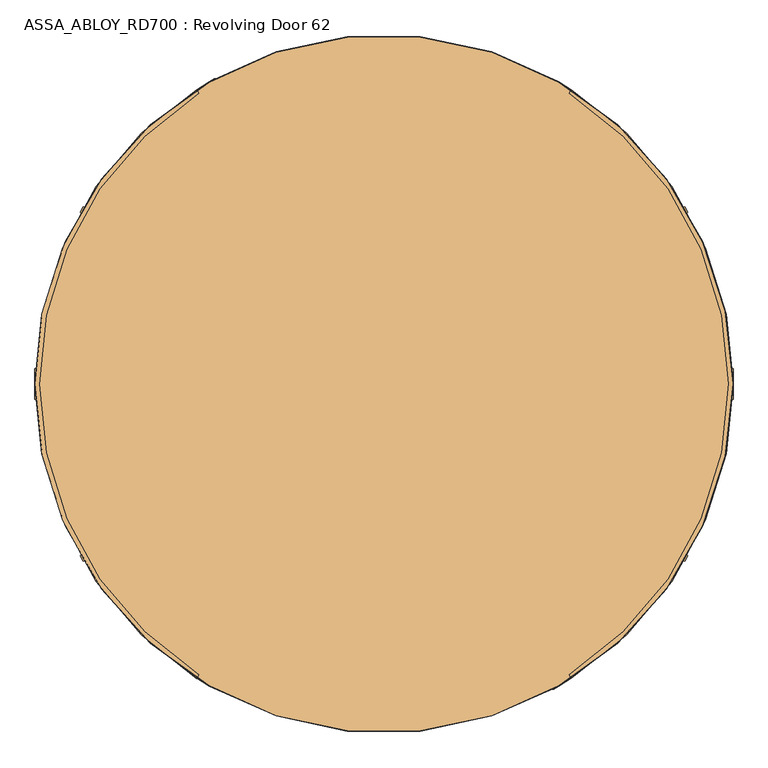
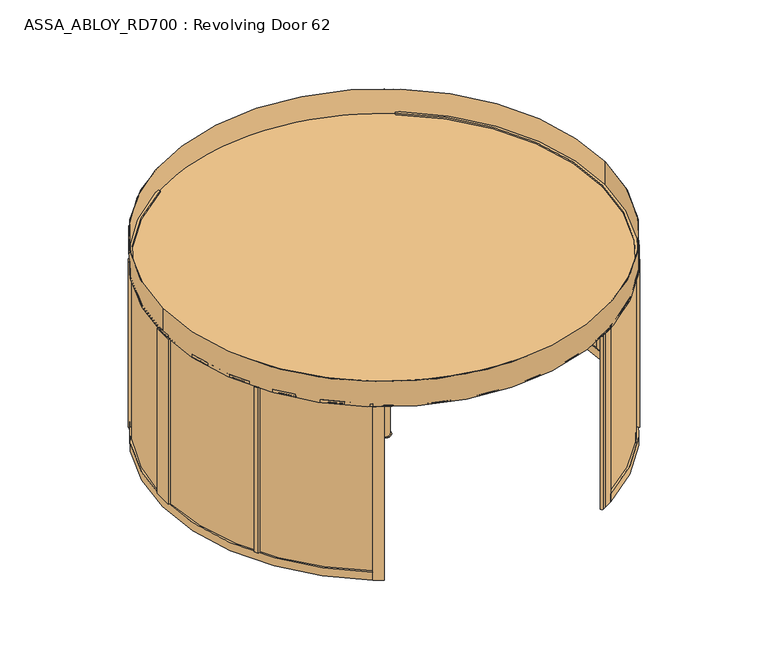
"""IFC4 building model written with IfcOpenShell, lengths in millimetres: door geometry, ASSA_ABLOY_RD700 : Revolving Door 62."""

from ifc_helpers import new_model, si_unit, point, frame, frame_2d, origin, origin_with_axes, origin_2d, place, context, project, spatial, polyline, circle_curve, trimmed, segment, composite_curve, outline, extrude, source, transform, mapped, element, save


def assa_abloy_rd700_revolving_door_62_0eee3018(model_context):
    return source(origin(), model_context, "Body", "SweptSolid", [
        extrude(outline(polyline([(-21.1919362, 0.0), (0.0, 0.0), (1.2354289, -3.3526833), (-14.8894584, -17.1035441), (-15.8652682, -14.4554101), (-11.2716326, -10.6269535), (-14.2348715, -2.5853724), (-20.214336, -2.6529929), (-21.1919362, 0.0)]), holes=[polyline([(-11.7626281, -2.5849675), (-9.3848751, -9.0376682), (-1.6611384, -2.5160752), (-11.7626281, -2.5849675)])]), frame((-1498.4366379, 2551.3683888, 111.8848654), z_axis=(0.8660254037844455, 0.4999999999999883, 0.0), x_axis=(-0.17288098849125008, 0.29943865572958484, 0.9383222555567716)), (0.0, 0.0, 1.0), 2.0),
        extrude(outline(polyline([(-3.5121291, 0.0), (0.0, 0.0), (2.8187321, -2.6852579), (4.250422, -5.1162244), (5.5118808, -7.3434952), (7.3063201, -9.1972245), (9.3614355, -9.1814982), (11.0208469, -7.16163), (10.6514742, -3.4882218), (8.71119, 0.0484617), (6.0403681, 2.6484111), (9.0699595, 3.711135), (11.0920114, 1.0208017), (12.7977466, -2.5981572), (13.1300796, -8.3561656), (9.9996043, -11.7673438), (6.2388815, -11.6844271), (3.0893834, -8.4786223), (1.8238571, -6.2006453), (0.6628891, -4.2207409), (-0.9295188, -2.6144294), (-2.9863484, -2.6252693), (-4.8029446, -4.7524081), (-4.3562346, -8.76362), (-2.4447823, -12.1320668), (0.6567352, -15.0446471), (-2.5145629, -16.157079), (-4.8247981, -13.2083906), (-6.5093631, -9.6341389), (-7.2092232, -6.1919011), (-6.787432, -3.3659463), (-5.4926863, -1.2764387), (-3.5121291, 0.0)])), frame((-1486.5717426, 2530.8177873, 100.999973), z_axis=(0.8660254037844454, 0.4999999999999883, 0.0), x_axis=(-0.16550355081006526, 0.28666055883609926, 0.9436282629706655)), (0.0, 0.0, 1.0), 2.0),
        extrude(outline(polyline([(-3.5121291, 0.0), (0.0, 0.0), (2.8187321, -2.6852579), (4.250422, -5.1162244), (5.5118808, -7.3434952), (7.3063201, -9.1972245), (9.3614355, -9.1814982), (11.0208469, -7.1616301), (10.6514742, -3.4882218), (8.71119, 0.0484617), (6.0403681, 2.6484111), (9.0699595, 3.711135), (11.0920114, 1.0208017), (12.7977466, -2.5981572), (13.1300796, -8.3561656), (9.9996043, -11.7673438), (6.2388815, -11.6844271), (3.0893834, -8.4786223), (1.8238571, -6.2006453), (0.6628891, -4.2207409), (-0.9295188, -2.6144294), (-2.9863484, -2.6252693), (-4.8029446, -4.7524081), (-4.3562346, -8.76362), (-2.4447823, -12.1320668), (0.6567352, -15.0446471), (-2.5145629, -16.157079), (-4.8247981, -13.2083906), (-6.5093631, -9.6341389), (-7.2092232, -6.1919011), (-6.787432, -3.3659463), (-5.4926863, -1.2764387), (-3.5121291, 0.0)])), frame((-1477.1264315, 2514.4580286, 100.999973), z_axis=(0.8660254037844454, 0.4999999999999883, 0.0), x_axis=(-0.1655035508100996, 0.2866605588361587, 0.9436282629706415)), (0.0, 0.0, 1.0), 2.0),
        extrude(outline(polyline([(-21.1919362, 0.0), (0.0, 0.0), (1.2354289, -3.3526833), (-14.8894584, -17.1035441), (-15.8652682, -14.4554101), (-11.2716326, -10.6269535), (-14.2348715, -2.5853724), (-20.214336, -2.6529929), (-21.1919362, 0.0)]), holes=[polyline([(-11.7626281, -2.5849675), (-9.3848751, -9.0376682), (-1.6611384, -2.5160752), (-11.7626281, -2.5849675)])]), frame((-1470.1007046, 2502.2891127, 111.8848654), z_axis=(0.8660254037844455, 0.4999999999999883, 0.0), x_axis=(-0.17288098849125008, 0.29943865572958484, 0.9383222555567716)), (0.0, 0.0, 1.0), 2.0),
        extrude(outline(polyline([(-21.1919362, 0.0), (0.0, 0.0), (1.2354289, -3.3526833), (-14.8894584, -17.1035441), (-15.8652682, -14.4554101), (-11.2716326, -10.6269535), (-14.2348715, -2.5853724), (-20.214336, -2.6529929), (-21.1919362, 0.0)]), holes=[polyline([(-11.7626281, -2.5849675), (-9.3848751, -9.0376682), (-1.6611384, -2.5160752), (-11.7626281, -2.5849675)])]), frame((-1455.8498844, 2477.605968, 111.8848654), z_axis=(0.8660254037844455, 0.4999999999999883, 0.0), x_axis=(-0.17288098849125008, 0.29943865572958484, 0.9383222555567716)), (0.0, 0.0, 1.0), 2.0),
        extrude(outline(polyline([(-3.6247797, -1e-07), (0.0, 0.0), (2.8147562, -2.4211002), (3.7068839, -0.0321767), (5.7320771, 1.441087), (7.9241126, 1.6554024), (9.8352433, 0.5920774), (11.1479956, -1.1951535), (12.3716711, -4.2930708), (14.3144162, -9.9880649), (-4.5055294, -16.408152), (-6.8194358, -9.6251298), (-7.5842828, -6.2202288), (-7.204982, -3.4426963), (-5.9232413, -1.3859292), (-3.6247797, -1e-07)]), holes=[polyline([(5.2214253, -2.9241787), (4.7734732, -6.6552626), (5.9304264, -10.0467736), (11.2627443, -8.2277489), (10.1960736, -5.1008933), (9.3653605, -2.9303688), (5.2214253, -2.9241787)]), polyline([(-2.8765906, -2.5461079), (-4.3679308, -3.4351118), (-5.1102533, -4.8838352), (-5.1175974, -6.8751818), (-4.336209, -9.7190964), (-3.1658807, -13.1498157), (3.7347661, -10.7957837), (2.347091, -6.7279309), (1.5099769, -4.5787397), (0.5832315, -3.1932876), (-0.9746905, -2.2912471), (-2.8765906, -2.5461079)])]), frame((-1443.6574584, 2456.4880667, 101.561824), z_axis=(0.8660254037844454, 0.49999999999998823, 0.0), x_axis=(-0.1614314953418509, 0.27960755187391306, 0.9464457138403508)), (0.0, 0.0, 1.0), 2.0),
        extrude(outline(polyline([(-2.319901, 0.0), (0.0, 0.0), (0.0, -9.9424327), (17.5649644, -9.9424327), (17.5649644, -12.5937481), (-2.319901, -12.5937481), (-2.319901, 0.0)])), frame((-1434.9526514, 2441.4108988, 94.319901), z_axis=(0.8660254037844455, 0.49999999999998823, 0.0), x_axis=(0.0, 0.0, 1.0)), (0.0, 0.0, 1.0), 2.0),
        extrude(outline(polyline([(-3.4755122, 0.0), (0.0, 0.0), (3.5095377, -1.5864764), (6.1998493, -4.2905332), (7.4345587, -7.5668216), (7.0812776, -11.3109182), (5.1361655, -15.2239686), (2.1257687, -18.4422905), (-1.2097864, -20.048671), (-4.7147757, -20.0502836), (-8.2007386, -18.4707048), (-10.9175762, -15.7640054), (-12.1283676, -12.475947), (-11.7934802, -8.7947164), (-9.8417791, -4.8358203), (-6.8343334, -1.6217536), (-3.4755122, 0.0)]), holes=[polyline([(-7.663169, -6.3468237), (-9.5892894, -12.1951337), (-6.8871209, -16.5585186), (-1.8513939, -17.5618518), (2.9575554, -13.7129652), (4.8960978, -7.8921765), (2.1788995, -3.4868579), (-2.8864763, -2.494471), (-7.663169, -6.3468237)])]), frame((-1427.6757746, 2428.8069783, 111.5197917), z_axis=(0.8660254037844455, 0.49999999999998834, 0.0), x_axis=(-0.41085457557084926, 0.7116209994108801, 0.5699070721880521)), (0.0, 0.0, 1.0), 2.0),
        extrude(outline(polyline([(-3.1691505, 0.0), (0.0, 0.0), (5.4320896, -8.8964059), (10.9211409, 0.0), (14.0643996, 0.0), (6.7732823, -11.4441543), (6.7732823, -19.8848654), (4.1219669, -19.8848654), (4.1219669, -11.1645234), (-3.1691505, 0.0)])), frame((-1417.1494829, 2410.5749062, 111.8848654), z_axis=(0.8660254037844455, 0.49999999999998823, 0.0), x_axis=(-0.49999999999998823, 0.8660254037844455, 0.0)), (0.0, 0.0, 1.0), 2.0),
        extrude(outline(polyline([(21.1919362, 0.0), (20.214336, -2.6529929), (14.2348715, -2.5853724), (11.2716326, -10.6269535), (15.8652682, -14.4554101), (14.8894584, -17.1035441), (-1.2354289, -3.3526833), (0.0, 0.0), (21.1919362, 0.0)]), holes=[polyline([(11.7626281, -2.5849675), (1.6611384, -2.5160752), (9.3848751, -9.0376682), (11.7626281, -2.5849675)])]), frame((-1384.9734689, 2438.8444152, 111.8848654), z_axis=(0.8660254037844423, 0.4999999999999939, 0.0), x_axis=(-0.172880988491252, 0.2994386557295837, -0.9383222555567716)), (0.0, 0.0, 1.0), 2.0),
        extrude(outline(polyline([(3.5121291, 0.0), (5.4926863, -1.2764387), (6.787432, -3.3659463), (7.2092232, -6.1919012), (6.5093631, -9.6341389), (4.824798, -13.2083907), (2.5145629, -16.1570791), (-0.6567353, -15.0446472), (2.4447822, -12.1320668), (4.3562346, -8.76362), (4.8029446, -4.7524082), (2.9863484, -2.6252693), (0.9295188, -2.6144294), (-0.6628891, -4.2207409), (-1.8238571, -6.2006453), (-3.0893834, -8.4786223), (-6.2388816, -11.6844271), (-9.9996043, -11.7673439), (-13.1300796, -8.3561656), (-12.7977466, -2.5981572), (-11.0920114, 1.0208017), (-9.0699595, 3.711135), (-6.0403681, 2.6484111), (-8.71119, 0.0484616), (-10.6514742, -3.4882218), (-11.0208469, -7.1616301), (-9.3614355, -9.1814983), (-7.3063201, -9.1972246), (-5.5118808, -7.3434952), (-4.250422, -5.1162245), (-2.8187321, -2.6852579), (0.0, 0.0), (3.5121291, 0.0)])), frame((-1396.8383642, 2459.3950167, 100.999973), z_axis=(0.8660254037844423, 0.4999999999999938, 0.0), x_axis=(-0.1655035508100671, 0.2866605588360982, -0.9436282629706655)), (0.0, 0.0, 1.0), 2.0),
        extrude(outline(polyline([(3.5121291, 0.0), (5.4926863, -1.2764387), (6.787432, -3.3659463), (7.2092232, -6.1919012), (6.5093631, -9.6341389), (4.824798, -13.2083907), (2.5145629, -16.1570791), (-0.6567353, -15.0446472), (2.4447822, -12.1320668), (4.3562346, -8.76362), (4.8029446, -4.7524082), (2.9863484, -2.6252693), (0.9295188, -2.6144294), (-0.6628891, -4.2207409), (-1.8238571, -6.2006453), (-3.0893834, -8.4786223), (-6.2388816, -11.6844271), (-9.9996043, -11.7673439), (-13.1300796, -8.3561656), (-12.7977466, -2.5981572), (-11.0920114, 1.0208016), (-9.0699595, 3.711135), (-6.0403681, 2.6484111), (-8.71119, 0.0484616), (-10.6514742, -3.4882218), (-11.0208469, -7.1616301), (-9.3614355, -9.1814983), (-7.3063201, -9.1972246), (-5.5118808, -7.3434952), (-4.250422, -5.1162245), (-2.8187321, -2.6852579), (0.0, 0.0), (3.5121291, 0.0)])), frame((-1406.2836753, 2475.7547754, 100.999973), z_axis=(0.8660254037844423, 0.4999999999999938, 0.0), x_axis=(-0.1655035508100671, 0.2866605588360982, -0.9436282629706655)), (0.0, 0.0, 1.0), 2.0),
        extrude(outline(polyline([(21.1919362, 0.0), (20.214336, -2.6529929), (14.2348715, -2.5853723), (11.2716326, -10.6269535), (15.8652682, -14.4554101), (14.8894584, -17.103544), (-1.2354289, -3.3526833), (0.0, 0.0), (21.1919362, 0.0)]), holes=[polyline([(11.7626281, -2.5849674), (1.6611384, -2.5160752), (9.3848751, -9.0376682), (11.7626281, -2.5849674)])]), frame((-1413.3094021, 2487.9236913, 111.8848654), z_axis=(0.8660254037844423, 0.4999999999999939, 0.0), x_axis=(-0.172880988491252, 0.2994386557295837, -0.9383222555567716)), (0.0, 0.0, 1.0), 2.0),
        extrude(outline(polyline([(21.1919362, 0.0), (20.214336, -2.6529929), (14.2348715, -2.5853724), (11.2716326, -10.6269535), (15.8652682, -14.4554101), (14.8894584, -17.1035441), (-1.2354289, -3.3526833), (0.0, 0.0), (21.1919362, 0.0)]), holes=[polyline([(11.7626281, -2.5849675), (1.6611384, -2.5160752), (9.3848751, -9.0376682), (11.7626281, -2.5849675)])]), frame((-1427.5602224, 2512.606836, 111.8848654), z_axis=(0.8660254037844423, 0.4999999999999939, 0.0), x_axis=(-0.172880988491252, 0.2994386557295837, -0.9383222555567716)), (0.0, 0.0, 1.0), 2.0),
        extrude(outline(polyline([(3.6247797, -1e-07), (5.9232413, -1.3859292), (7.204982, -3.4426963), (7.5842828, -6.2202288), (6.8194358, -9.6251298), (4.5055294, -16.4081519), (-14.3144162, -9.9880648), (-12.3716711, -4.2930709), (-11.1479956, -1.1951535), (-9.8352432, 0.5920774), (-7.9241126, 1.6554025), (-5.7320771, 1.441087), (-3.7068839, -0.0321766), (-2.8147562, -2.4211002), (0.0, 0.0), (3.6247797, -1e-07)]), holes=[polyline([(-5.2214253, -2.9241787), (-9.3653605, -2.9303688), (-10.1960736, -5.1008934), (-11.2627443, -8.2277488), (-5.9304264, -10.0467735), (-4.7734732, -6.6552625), (-5.2214253, -2.9241787)]), polyline([(2.8765906, -2.5461079), (0.9746905, -2.291247), (-0.5832315, -3.1932876), (-1.5099769, -4.5787397), (-2.347091, -6.7279308), (-3.734766, -10.7957837), (3.1658807, -13.1498156), (4.3362091, -9.7190964), (5.1175974, -6.8751818), (5.1102534, -4.8838351), (4.3679308, -3.4351117), (2.8765906, -2.5461079)])]), frame((-1439.7526483, 2533.7247373, 101.561824), z_axis=(0.8660254037844424, 0.49999999999999384, 0.0), x_axis=(-0.16143149534181922, 0.27960755187385405, -0.9464457138403736)), (0.0, 0.0, 1.0), 2.0),
        extrude(outline(polyline([(2.319901, 0.0), (2.319901, -12.5937481), (-17.5649644, -12.5937481), (-17.5649644, -9.9424327), (0.0, -9.9424327), (0.0, 0.0), (2.319901, 0.0)])), frame((-1448.4574553, 2548.8019052, 94.319901), z_axis=(0.8660254037844423, 0.49999999999999384, 0.0), x_axis=(0.0, 0.0, -1.0)), (0.0, 0.0, 1.0), 2.0),
        extrude(outline(polyline([(3.4755122, 0.0), (6.8343334, -1.6217536), (9.8417791, -4.8358203), (11.7934802, -8.7947164), (12.1283676, -12.475947), (10.9175762, -15.7640054), (8.2007386, -18.4707048), (4.7147757, -20.0502836), (1.2097864, -20.048671), (-2.1257687, -18.4422905), (-5.1361655, -15.2239686), (-7.0812776, -11.3109182), (-7.4345588, -7.5668217), (-6.1998493, -4.2905332), (-3.5095377, -1.5864764), (0.0, 0.0), (3.4755122, 0.0)]), holes=[polyline([(7.663169, -6.3468237), (2.8864763, -2.494471), (-2.1788995, -3.4868579), (-4.8960978, -7.8921765), (-2.9575554, -13.7129652), (1.8513939, -17.5618518), (6.8871209, -16.5585186), (9.5892893, -12.1951337), (7.663169, -6.3468237)])]), frame((-1455.7343322, 2561.4058257, 111.5197917), z_axis=(0.8660254037844421, 0.4999999999999938, 0.0), x_axis=(-0.4108545755708527, 0.7116209994108754, -0.5699070721880555)), (0.0, 0.0, 1.0), 2.0),
        extrude(outline(polyline([(3.1691504, 0.0), (-4.1219669, -11.1645234), (-4.1219669, -19.8848654), (-6.7732823, -19.8848654), (-6.7732823, -11.4441543), (-14.0643996, 0.0), (-10.921141, 0.0), (-5.4320896, -8.8964059), (0.0, 0.0), (3.1691504, 0.0)])), frame((-1466.2606239, 2579.6378978, 111.8848654), z_axis=(0.8660254037844423, 0.49999999999999384, 0.0), x_axis=(-0.49999999999999384, 0.8660254037844423, 0.0)), (0.0, 0.0, 1.0), 2.0),
        extrude(outline(polyline([(26.6515221, 0.0), (0.0, 0.0), (0.0, -39.5498894), (-13.9731118, -39.4978266), (-35.4734857, -27.0878672), (-65.7800894, 7.1605958), (-57.4313185, 25.5557642), (-24.0034278, 19.9844491), (26.6515221, 0.0)])), frame((-599.8205081, 998.9195954, 42.0), z_axis=(-0.4999999999999939, 0.8660254037844421, 0.0), x_axis=(0.8660254037844421, 0.4999999999999939, 0.0)), (0.0, 0.0, 1.0), 1885.0),
        extrude(outline(polyline([(33.1204549, 0.0), (0.0, 0.0), (0.0, -37.4557851), (-13.0431775, -37.4022447), (-28.8456008, -22.8930528), (-37.5120241, -2.8258245), (-41.1595702, 16.5838424), (-29.2477892, 28.4956234), (33.1204549, 0.0)])), frame((-56.3205081, 57.5499815, 42.0), z_axis=(-0.4999999999999939, 0.8660254037844421, 0.0), x_axis=(0.8660254037844421, 0.4999999999999939, 0.0)), (0.0, 0.0, 1.0), 1087.0),
        extrude(outline(polyline([(-1519.2396129, 2644.7032426), (-1542.3205081, 2631.3774815), (-1522.5455634, 2597.1262726), (-1534.6726646, 2590.1848043), (-1559.4975143, 2590.1819575), (-1602.8680345, 2604.6886947), (-1604.835371, 2624.7937633), (-1573.1003109, 2636.6828082), (-1519.2396129, 2644.7032426)])), origin_with_axes(), (0.0, 0.0, 1.0), 2600.0),
        extrude(outline(composite_curve([segment(polyline([(-1550.0, 2684.6787517), (-1570.0, 2719.3197679)]), True, "CONTINUOUS"), segment(trimmed(circle_curve(origin_2d(), 3140.0), [point((-1570.0, 2719.3197679))], [point((-1526.4996726, 2743.9749907))], False, "CARTESIAN"), True, "CONTINUOUS"), segment(trimmed(circle_curve(frame_2d((-1516.7742629, 2726.4929816)), 20.0051052), [point((-1526.4996726, 2743.9749907))], [point((-1506.4971038, 2709.3295252))], False, "CARTESIAN"), True, "CONTINUOUS"), segment(trimmed(circle_curve(origin_2d(), 3100.0), [point((-1506.4971038, 2709.3295252))], [point((-1550.0, 2684.6787517))], True, "CARTESIAN"), True, "CONTINUOUS")], self_intersect=False)), origin_with_axes(), (0.0, 0.0, 1.0), 2600.0),
        extrude(outline(composite_curve([segment(polyline([(1550.0, -2684.6787517), (1570.0, -2719.3197679)]), True, "CONTINUOUS"), segment(trimmed(circle_curve(origin_2d(), 3140.0), [point((1570.0, -2719.3197679))], [point((1526.4996726, -2743.9749907))], False, "CARTESIAN"), True, "CONTINUOUS"), segment(trimmed(circle_curve(frame_2d((1516.7742629, -2726.4929816)), 20.0051052), [point((1526.4996726, -2743.9749907))], [point((1506.4971038, -2709.3295252))], False, "CARTESIAN"), True, "CONTINUOUS"), segment(trimmed(circle_curve(origin_2d(), 3100.0), [point((1506.4971038, -2709.3295252))], [point((1550.0, -2684.6787517))], True, "CARTESIAN"), True, "CONTINUOUS")], self_intersect=False)), origin_with_axes(), (0.0, 0.0, 1.0), 2600.0),
        extrude(outline(composite_curve([segment(trimmed(circle_curve(origin_2d(), 3126.0), [point((-3126.0, 0.0))], [point((3126.0, 0.0))], False, "CARTESIAN"), True, "CONTINUOUS"), segment(trimmed(circle_curve(origin_2d(), 3126.0), [point((3126.0, 0.0))], [point((-3126.0, 0.0))], False, "CARTESIAN"), True, "CONTINUOUS")], self_intersect=False)), frame((0.0, 0.0, 2600.0), z_axis=(0.0, 0.0, 1.0), x_axis=(1.0, 0.0, 0.0)), (0.0, 0.0, 1.0), 16.0),
        extrude(outline(composite_curve([segment(polyline([(-1686.3061522, 2648.5613573), (-1666.2871236, 2613.8873827)]), True, "CONTINUOUS"), segment(trimmed(circle_curve(frame_2d((0.0, -0.2065754)), 3100.0), [point((-1666.2871236, 2613.8873827))], [point((-1666.2871236, -2614.3005335))], True, "CARTESIAN"), True, "CONTINUOUS"), segment(polyline([(-1666.2871236, -2614.3005335), (-1686.3061522, -2648.9745081)]), True, "CONTINUOUS"), segment(trimmed(circle_curve(frame_2d((0.0, -0.2065754)), 3140.0), [point((-1686.3061522, -2648.9745081))], [point((-1686.3061522, 2648.5613573))], False, "CARTESIAN"), True, "CONTINUOUS")], self_intersect=False)), frame((0.0, 0.0, 2603.0), z_axis=(0.0, 0.0, 1.0), x_axis=(1.0, 0.0, 0.0)), (0.0, 0.0, 1.0), 40.0),
        extrude(outline(composite_curve([segment(polyline([(-1686.3061522, -2648.9745081), (-1666.2871236, -2614.3005335)]), True, "CONTINUOUS"), segment(trimmed(circle_curve(frame_2d((0.0, -0.2065754)), 3100.0), [point((-1666.2871236, -2614.3005335))], [point((-1550.0, -2684.8853271))], True, "CARTESIAN"), True, "CONTINUOUS"), segment(polyline([(-1550.0, -2684.8853271), (-1570.0, -2719.5263433)]), True, "CONTINUOUS"), segment(trimmed(circle_curve(frame_2d((0.0, -0.2065754)), 3140.0), [point((-1570.0, -2719.5263433))], [point((-1686.3061522, -2648.9745081))], False, "CARTESIAN"), True, "CONTINUOUS")], self_intersect=False)), frame((0.0, 0.0, 3.0), z_axis=(0.0, 0.0, 1.0), x_axis=(1.0, 0.0, 0.0)), (0.0, 0.0, 1.0), 2600.0),
        extrude(outline(composite_curve([segment(polyline([(-1570.0, 2719.1131925), (-1550.0, 2684.4721763)]), True, "CONTINUOUS"), segment(trimmed(circle_curve(frame_2d((0.0, -0.2065754)), 3100.0), [point((-1550.0, 2684.4721763))], [point((-1666.2871236, 2613.8873827))], True, "CARTESIAN"), True, "CONTINUOUS"), segment(polyline([(-1666.2871236, 2613.8873827), (-1686.3061522, 2648.5613573)]), True, "CONTINUOUS"), segment(trimmed(circle_curve(frame_2d((0.0, -0.2065754)), 3140.0), [point((-1686.3061522, 2648.5613573))], [point((-1570.0, 2719.1131925))], False, "CARTESIAN"), True, "CONTINUOUS")], self_intersect=False)), frame((0.0, 0.0, 3.0), z_axis=(0.0, 0.0, 1.0), x_axis=(1.0, 0.0, 0.0)), (0.0, 0.0, 1.0), 2600.0),
        extrude(outline(composite_curve([segment(polyline([(-3110.0278134, -136.2065754), (-3102.0201482, -136.2065754)]), True, "CONTINUOUS"), segment(trimmed(circle_curve(frame_2d((0.0, -0.2065754)), 3105.0), [point((-3102.0201482, -136.2065754))], [point((-1668.789529, -2618.6348268))], True, "CARTESIAN"), True, "CONTINUOUS"), segment(polyline([(-1668.789529, -2618.6348268), (-1672.7933616, -2625.5696683)]), True, "CONTINUOUS"), segment(trimmed(circle_curve(frame_2d((0.0, -0.2065754)), 3113.0), [point((-1672.7933616, -2625.5696683))], [point((-3110.0278134, -136.2065754))], False, "CARTESIAN"), True, "CONTINUOUS")], self_intersect=False)), frame((0.0, 0.0, 123.0), z_axis=(0.0, 0.0, 1.0), x_axis=(1.0, 0.0, 0.0)), (0.0, 0.0, 1.0), 2480.0),
        extrude(outline(composite_curve([segment(polyline([(-1672.7933616, 2625.1565175), (-1668.789529, 2618.221676)]), True, "CONTINUOUS"), segment(trimmed(circle_curve(frame_2d((0.0, -0.2065754)), 3105.0), [point((-1668.789529, 2618.221676))], [point((-3102.0201482, 135.7934246))], True, "CARTESIAN"), True, "CONTINUOUS"), segment(polyline([(-3102.0201482, 135.7934246), (-3110.0278134, 135.7934246)]), True, "CONTINUOUS"), segment(trimmed(circle_curve(frame_2d((0.0, -0.2065754)), 3113.0), [point((-3110.0278134, 135.7934246))], [point((-1672.7933616, 2625.1565175))], False, "CARTESIAN"), True, "CONTINUOUS")], self_intersect=False)), frame((0.0, 0.0, 123.0), z_axis=(0.0, 0.0, 1.0), x_axis=(1.0, 0.0, 0.0)), (0.0, 0.0, 1.0), 2480.0),
        extrude(outline(polyline([(-3140.0, -136.2065754), (-3140.0, 135.7934246), (-3100.0, 135.7934246), (-3100.0, -136.2065754), (-3140.0, -136.2065754)])), frame((0.0, 0.0, 123.0), z_axis=(0.0, 0.0, 1.0), x_axis=(1.0, 0.0, 0.0)), (0.0, 0.0, 1.0), 2480.0),
        extrude(outline(composite_curve([segment(polyline([(-1686.3061522, 2648.5613573), (-1666.2871236, 2613.8873827)]), True, "CONTINUOUS"), segment(trimmed(circle_curve(frame_2d((0.0, -0.2065754)), 3100.0), [point((-1666.2871236, 2613.8873827))], [point((-1666.2871236, -2614.3005335))], True, "CARTESIAN"), True, "CONTINUOUS"), segment(polyline([(-1666.2871236, -2614.3005335), (-1686.3061522, -2648.9745081)]), True, "CONTINUOUS"), segment(trimmed(circle_curve(frame_2d((0.0, -0.2065754)), 3140.0), [point((-1686.3061522, -2648.9745081))], [point((-1686.3061522, 2648.5613573))], False, "CARTESIAN"), True, "CONTINUOUS")], self_intersect=False)), frame((0.0, 0.0, 3.0), z_axis=(0.0, 0.0, 1.0), x_axis=(1.0, 0.0, 0.0)), (0.0, 0.0, 1.0), 120.0),
        extrude(outline(composite_curve([segment(trimmed(circle_curve(frame_2d((0.0, -0.2065754)), 3140.0), [point((-2704.1956531, -1596.1156798))], [point((-2734.1956531, -1544.1541556))], False, "CARTESIAN"), True, "CONTINUOUS"), segment(polyline([(-2734.1956531, -1544.1541556), (-2699.5530354, -1524.1532309)]), True, "CONTINUOUS"), segment(trimmed(circle_curve(frame_2d((0.0, -0.2065754)), 3100.0), [point((-2699.5530354, -1524.1532309))], [point((-2669.5530354, -1576.1147552))], True, "CARTESIAN"), True, "CONTINUOUS"), segment(polyline([(-2669.5530354, -1576.1147552), (-2704.1956531, -1596.1156798)]), True, "CONTINUOUS")], self_intersect=False)), frame((0.0, 0.0, 123.0), z_axis=(0.0, 0.0, 1.0), x_axis=(1.0, 0.0, 0.0)), (0.0, 0.0, 1.0), 2480.0),
        extrude(outline(composite_curve([segment(polyline([(-2704.1956531, 1595.702529), (-2669.5530354, 1575.7016044)]), True, "CONTINUOUS"), segment(trimmed(circle_curve(frame_2d((0.0, -0.2065754)), 3100.0), [point((-2669.5530354, 1575.7016044))], [point((-2699.5530354, 1523.7400801))], True, "CARTESIAN"), True, "CONTINUOUS"), segment(polyline([(-2699.5530354, 1523.7400801), (-2734.1956531, 1543.7410048)]), True, "CONTINUOUS"), segment(trimmed(circle_curve(frame_2d((0.0, -0.2065754)), 3140.0), [point((-2734.1956531, 1543.7410048))], [point((-2704.1956531, 1595.702529))], False, "CARTESIAN"), True, "CONTINUOUS")], self_intersect=False)), frame((0.0, 0.0, 123.0), z_axis=(0.0, 0.0, 1.0), x_axis=(1.0, 0.0, 0.0)), (0.0, 0.0, 1.0), 2480.0),
        extrude(outline(composite_curve([segment(trimmed(circle_curve(origin_2d(), 3140.0), [point((1686.3061522, 2648.7679327))], [point((1686.3061522, -2648.7679327))], False, "CARTESIAN"), True, "CONTINUOUS"), segment(polyline([(1686.3061522, -2648.7679327), (1666.2871236, -2614.0939581)]), True, "CONTINUOUS"), segment(trimmed(circle_curve(origin_2d(), 3100.0), [point((1666.2871236, -2614.0939581))], [point((1666.2871236, 2614.0939581))], True, "CARTESIAN"), True, "CONTINUOUS"), segment(polyline([(1666.2871236, 2614.0939581), (1686.3061522, 2648.7679327)]), True, "CONTINUOUS")], self_intersect=False)), frame((0.0, 0.0, 2600.0), z_axis=(0.0, 0.0, 1.0), x_axis=(1.0, 0.0, 0.0)), (0.0, 0.0, 1.0), 40.0),
        extrude(outline(composite_curve([segment(trimmed(circle_curve(origin_2d(), 3140.0), [point((1686.3061522, -2648.7679327))], [point((1570.0, -2719.3197679))], False, "CARTESIAN"), True, "CONTINUOUS"), segment(polyline([(1570.0, -2719.3197679), (1550.0, -2684.6787517)]), True, "CONTINUOUS"), segment(trimmed(circle_curve(origin_2d(), 3100.0), [point((1550.0, -2684.6787517))], [point((1666.2871236, -2614.0939581))], True, "CARTESIAN"), True, "CONTINUOUS"), segment(polyline([(1666.2871236, -2614.0939581), (1686.3061522, -2648.7679327)]), True, "CONTINUOUS")], self_intersect=False)), origin_with_axes(), (0.0, 0.0, 1.0), 2600.0),
        extrude(outline(composite_curve([segment(trimmed(circle_curve(origin_2d(), 3140.0), [point((1570.0, 2719.3197679))], [point((1686.3061522, 2648.7679327))], False, "CARTESIAN"), True, "CONTINUOUS"), segment(polyline([(1686.3061522, 2648.7679327), (1666.2871236, 2614.0939581)]), True, "CONTINUOUS"), segment(trimmed(circle_curve(origin_2d(), 3100.0), [point((1666.2871236, 2614.0939581))], [point((1550.0, 2684.6787517))], True, "CARTESIAN"), True, "CONTINUOUS"), segment(polyline([(1550.0, 2684.6787517), (1570.0, 2719.3197679)]), True, "CONTINUOUS")], self_intersect=False)), origin_with_axes(), (0.0, 0.0, 1.0), 2600.0),
        extrude(outline(composite_curve([segment(trimmed(circle_curve(origin_2d(), 3113.0), [point((3110.0278134, -136.0))], [point((1672.7933616, -2625.3630929))], False, "CARTESIAN"), True, "CONTINUOUS"), segment(polyline([(1672.7933616, -2625.3630929), (1668.789529, -2618.4282514)]), True, "CONTINUOUS"), segment(trimmed(circle_curve(origin_2d(), 3105.0), [point((1668.789529, -2618.4282514))], [point((3102.0201482, -136.0))], True, "CARTESIAN"), True, "CONTINUOUS"), segment(polyline([(3102.0201482, -136.0), (3110.0278134, -136.0)]), True, "CONTINUOUS")], self_intersect=False)), frame((0.0, 0.0, 120.0), z_axis=(0.0, 0.0, 1.0), x_axis=(1.0, 0.0, 0.0)), (0.0, 0.0, 1.0), 2480.0),
        extrude(outline(composite_curve([segment(trimmed(circle_curve(origin_2d(), 3113.0), [point((1672.7933616, 2625.3630929))], [point((3110.0278134, 136.0))], False, "CARTESIAN"), True, "CONTINUOUS"), segment(polyline([(3110.0278134, 136.0), (3102.0201482, 136.0)]), True, "CONTINUOUS"), segment(trimmed(circle_curve(origin_2d(), 3105.0), [point((3102.0201482, 136.0))], [point((1668.789529, 2618.4282514))], True, "CARTESIAN"), True, "CONTINUOUS"), segment(polyline([(1668.789529, 2618.4282514), (1672.7933616, 2625.3630929)]), True, "CONTINUOUS")], self_intersect=False)), frame((0.0, 0.0, 120.0), z_axis=(0.0, 0.0, 1.0), x_axis=(1.0, 0.0, 0.0)), (0.0, 0.0, 1.0), 2480.0),
        extrude(outline(polyline([(3140.0, -136.0), (3100.0, -136.0), (3100.0, 136.0), (3140.0, 136.0), (3140.0, -136.0)])), frame((0.0, 0.0, 120.0), z_axis=(0.0, 0.0, 1.0), x_axis=(1.0, 0.0, 0.0)), (0.0, 0.0, 1.0), 2480.0),
        extrude(outline(composite_curve([segment(trimmed(circle_curve(origin_2d(), 3140.0), [point((1686.3061522, 2648.7679327))], [point((1686.3061522, -2648.7679327))], False, "CARTESIAN"), True, "CONTINUOUS"), segment(polyline([(1686.3061522, -2648.7679327), (1666.2871236, -2614.0939581)]), True, "CONTINUOUS"), segment(trimmed(circle_curve(origin_2d(), 3100.0), [point((1666.2871236, -2614.0939581))], [point((1666.2871236, 2614.0939581))], True, "CARTESIAN"), True, "CONTINUOUS"), segment(polyline([(1666.2871236, 2614.0939581), (1686.3061522, 2648.7679327)]), True, "CONTINUOUS")], self_intersect=False)), origin_with_axes(), (0.0, 0.0, 1.0), 120.0),
        extrude(outline(composite_curve([segment(polyline([(2704.1956531, -1595.9091044), (2669.5530354, -1575.9081798)]), True, "CONTINUOUS"), segment(trimmed(circle_curve(origin_2d(), 3100.0), [point((2669.5530354, -1575.9081798))], [point((2699.5530354, -1523.9466555))], True, "CARTESIAN"), True, "CONTINUOUS"), segment(polyline([(2699.5530354, -1523.9466555), (2734.1956531, -1543.9475802)]), True, "CONTINUOUS"), segment(trimmed(circle_curve(origin_2d(), 3140.0), [point((2734.1956531, -1543.9475802))], [point((2704.1956531, -1595.9091044))], False, "CARTESIAN"), True, "CONTINUOUS")], self_intersect=False)), frame((0.0, 0.0, 120.0), z_axis=(0.0, 0.0, 1.0), x_axis=(1.0, 0.0, 0.0)), (0.0, 0.0, 1.0), 2480.0),
        extrude(outline(composite_curve([segment(trimmed(circle_curve(origin_2d(), 3140.0), [point((2704.1956531, 1595.9091044))], [point((2734.1956531, 1543.9475802))], False, "CARTESIAN"), True, "CONTINUOUS"), segment(polyline([(2734.1956531, 1543.9475802), (2699.5530354, 1523.9466555)]), True, "CONTINUOUS"), segment(trimmed(circle_curve(origin_2d(), 3100.0), [point((2699.5530354, 1523.9466555))], [point((2669.5530354, 1575.9081798))], True, "CARTESIAN"), True, "CONTINUOUS"), segment(polyline([(2669.5530354, 1575.9081798), (2704.1956531, 1595.9091044)]), True, "CONTINUOUS")], self_intersect=False)), frame((0.0, 0.0, 120.0), z_axis=(0.0, 0.0, 1.0), x_axis=(1.0, 0.0, 0.0)), (0.0, 0.0, 1.0), 2480.0),
        extrude(outline(composite_curve([segment(trimmed(circle_curve(origin_2d(), 3140.0), [point((-3140.0, 0.0))], [point((3140.0, 0.0))], False, "CARTESIAN"), True, "CONTINUOUS"), segment(trimmed(circle_curve(origin_2d(), 3140.0), [point((3140.0, 0.0))], [point((-3140.0, 0.0))], False, "CARTESIAN"), True, "CONTINUOUS")], self_intersect=False), holes=[composite_curve([segment(trimmed(circle_curve(origin_2d(), 3136.0), [point((-3136.0, 0.0))], [point((3136.0, 0.0))], True, "CARTESIAN"), True, "CONTINUOUS"), segment(trimmed(circle_curve(origin_2d(), 3136.0), [point((3136.0, 0.0))], [point((-3136.0, 0.0))], True, "CARTESIAN"), True, "CONTINUOUS")], self_intersect=False)]), frame((0.0, 0.0, 2600.0), z_axis=(0.0, 0.0, 1.0), x_axis=(1.0, 0.0, 0.0)), (0.0, 0.0, 1.0), 380.0),
        extrude(outline(composite_curve([segment(trimmed(circle_curve(origin_2d(), 3140.0), [point((-3140.0, 0.0))], [point((3140.0, 0.0))], False, "CARTESIAN"), True, "CONTINUOUS"), segment(trimmed(circle_curve(origin_2d(), 3140.0), [point((3140.0, 0.0))], [point((-3140.0, 0.0))], False, "CARTESIAN"), True, "CONTINUOUS")], self_intersect=False)), frame((0.0, 0.0, 2600.0), z_axis=(0.0, 0.0, 1.0), x_axis=(1.0, 0.0, 0.0)), (0.0, 0.0, 1.0), 18.0),
        extrude(outline(composite_curve([segment(trimmed(circle_curve(origin_2d(), 75.0), [point((-75.0, 0.0))], [point((75.0, 0.0))], False, "CARTESIAN"), True, "CONTINUOUS"), segment(trimmed(circle_curve(origin_2d(), 75.0), [point((75.0, 0.0))], [point((-75.0, 0.0))], False, "CARTESIAN"), True, "CONTINUOUS")], self_intersect=False)), origin_with_axes(), (0.0, 0.0, 1.0), 2600.0),
        extrude(outline(composite_curve([segment(trimmed(circle_curve(origin_2d(), 94.0), [point((-94.0, 0.0))], [point((94.0, 0.0))], False, "CARTESIAN"), True, "CONTINUOUS"), segment(trimmed(circle_curve(origin_2d(), 94.0), [point((94.0, 0.0))], [point((-94.0, 0.0))], False, "CARTESIAN"), True, "CONTINUOUS")], self_intersect=False)), origin_with_axes(), (0.0, 0.0, 1.0), 3.0),
    ])


if __name__ == "__main__":
    model = new_model("IFC4")
    model_context = context("Model", 3, world=origin())
    ifc_project = project(units=[si_unit("LENGTHUNIT", "METRE", prefix="MILLI")], contexts=[model_context])
    site = spatial("IfcSite", under=ifc_project)
    building = spatial("IfcBuilding", under=site)
    placement = place(None, origin())
    assa_abloy_rd700_revolving_door_62_shape = assa_abloy_rd700_revolving_door_62_0eee3018(model_context)
    element("IfcDoor", 1, ObjectType="ASSA_ABLOY_RD700 : Revolving Door 62", at=placement, inside=building, context=model_context, shape_type="MappedRepresentation", body=[
        mapped(assa_abloy_rd700_revolving_door_62_shape, transform((0.0, 0.0, 0.0), x_axis=(1.0, 0.0, 0.0), y_axis=(0.0, 1.0, 0.0), z_axis=(0.0, 0.0, 1.0))),
    ])
    save(model, "model.ifc")
